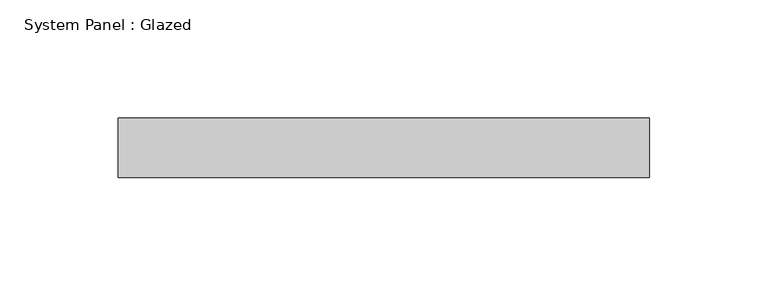
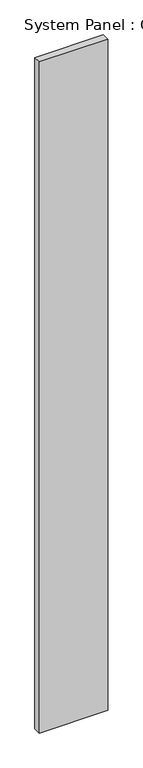
"""IFC4 building model written with IfcOpenShell, lengths in millimetres: plate geometry, System Panel : Glazed."""

from ifc_helpers import new_model, si_unit, origin, origin_with_axes, place, context, project, spatial, polyline, outline, extrude, source, transform, mapped, element, save


def system_panel_glazed_6c6e97d3(model_context):
    return source(origin(), model_context, "Body", "SweptSolid", [
        extrude(outline(polyline([(112.0771004, -49.5), (-112.0771004, -49.5), (-112.0771004, -24.5), (112.0771004, -24.5), (112.0771004, -49.5)])), origin_with_axes(), (0.0, 0.0, 1.0), 2325.0),
    ])


if __name__ == "__main__":
    model = new_model("IFC4")
    model_context = context("Model", 3, world=origin())
    ifc_project = project(units=[si_unit("LENGTHUNIT", "METRE", prefix="MILLI")], contexts=[model_context])
    site = spatial("IfcSite", under=ifc_project)
    building = spatial("IfcBuilding", under=site)
    placement = place(None, origin())
    system_panel_glazed_shape = system_panel_glazed_6c6e97d3(model_context)
    element("IfcPlate", 1, ObjectType="System Panel : Glazed", at=placement, inside=building, context=model_context, shape_type="MappedRepresentation", body=[
        mapped(system_panel_glazed_shape, transform((0.0, 0.0, 0.0), x_axis=(1.0, 0.0, 0.0), y_axis=(0.0, 1.0, 0.0), z_axis=(0.0, 0.0, 1.0))),
    ])
    save(model, "model.ifc")
